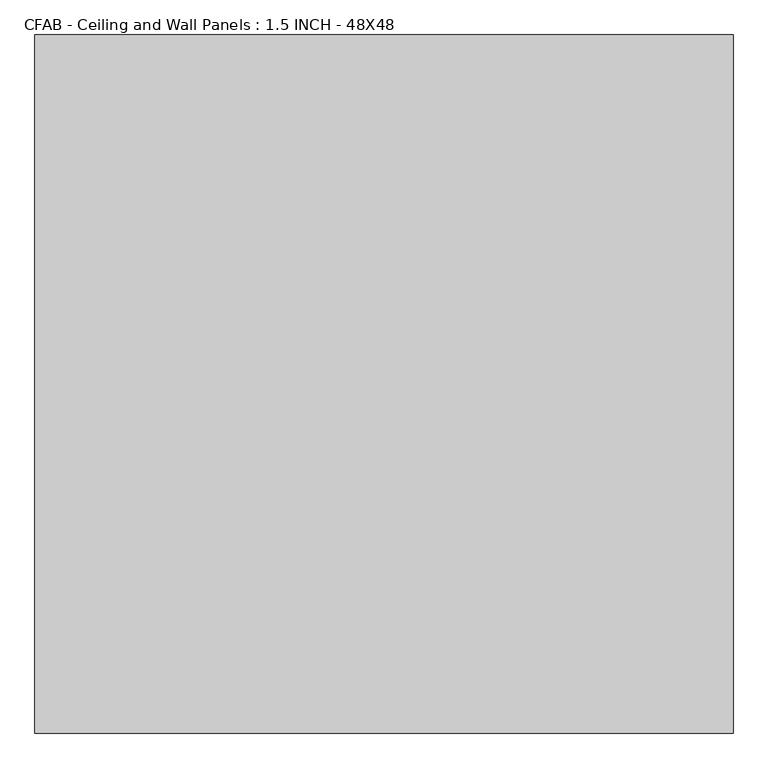
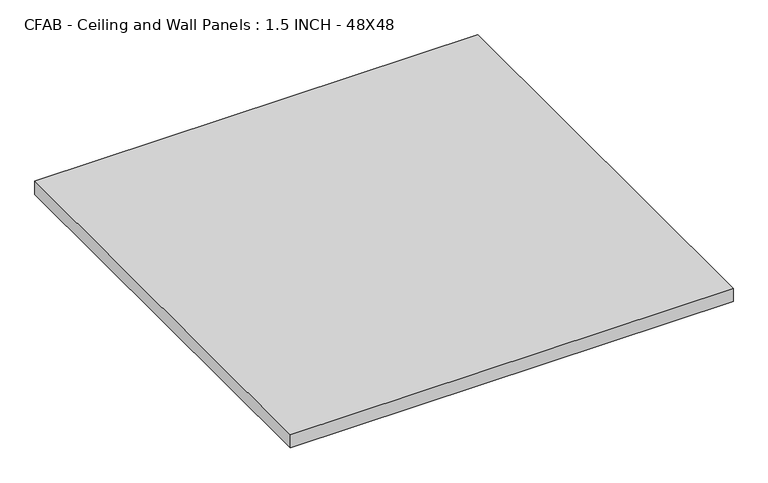
"""IFC4 building model written with IfcOpenShell, lengths in millimetres: proxy geometry, CFAB - Ceiling and Wall Panels : 1.5 INCH - 48X48."""

from ifc_helpers import new_model, si_unit, origin, origin_with_axes, place, context, project, spatial, polyline, outline, extrude, source, transform, mapped, element, save


def cfab_ceiling_and_wall_panels_1_5_inch_48x48_a11e4124(model_context):
    return source(origin(), model_context, "Body", "SweptSolid", [
        extrude(outline(polyline([(-609.6, 609.6), (609.6, 609.6), (609.6, -609.6), (-609.6, -609.6), (-609.6, 609.6)])), origin_with_axes(), (0.0, 0.0, 1.0), 38.1),
    ])


if __name__ == "__main__":
    model = new_model("IFC4")
    model_context = context("Model", 3, world=origin())
    ifc_project = project(units=[si_unit("LENGTHUNIT", "METRE", prefix="MILLI")], contexts=[model_context])
    site = spatial("IfcSite", under=ifc_project)
    building = spatial("IfcBuilding", under=site)
    placement = place(None, origin())
    cfab_ceiling_and_wall_panels_1_5_inch_48x48_shape = cfab_ceiling_and_wall_panels_1_5_inch_48x48_a11e4124(model_context)
    element("IfcBuildingElementProxy", 1, Name="CFAB - Ceiling and Wall Panels : 1.5 INCH - 48X48", ObjectType="CFAB - Ceiling and Wall Panels : 1.5 INCH - 48X48", at=placement, inside=building, context=model_context, shape_type="MappedRepresentation", body=[
        mapped(cfab_ceiling_and_wall_panels_1_5_inch_48x48_shape, transform((0.0, 0.0, 0.0), x_axis=(1.0, 0.0, 0.0), y_axis=(0.0, 1.0, 0.0), z_axis=(0.0, 0.0, 1.0))),
    ])
    save(model, "model.ifc")
